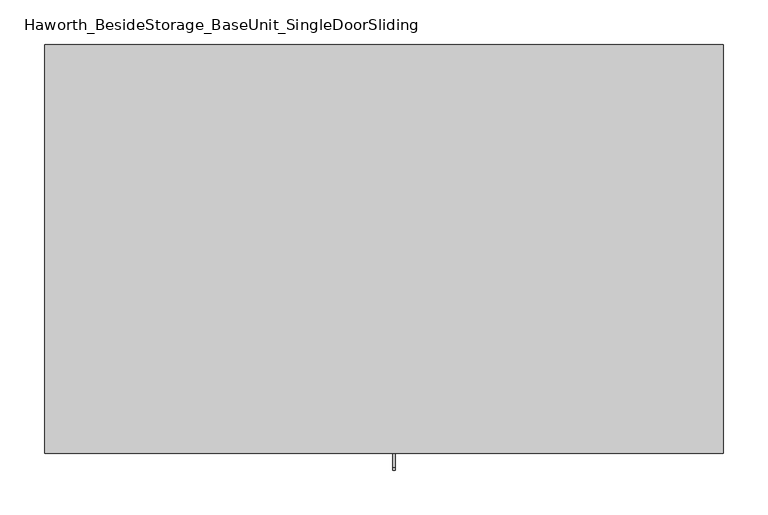
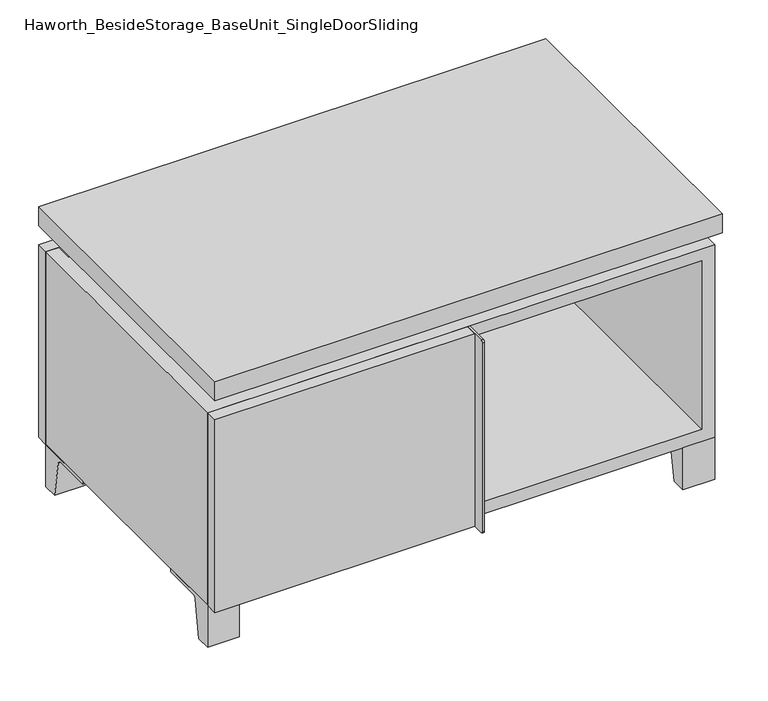
"""IFC4 building model written with IfcOpenShell, lengths in millimetres: furniture geometry, Haworth_BesideStorage_BaseUnit_SingleDoorSliding."""

from ifc_helpers import new_model, si_unit, point, frame, frame_2d, origin, place, context, project, spatial, polyline, circle_curve, trimmed, segment, composite_curve, outline, extrude, faceted_brep, source, transform, mapped, element, save


def haworth_besidestorage_baseunit_singledoorsliding_09ae7c62(model_context):
    return source(origin(), model_context, "Body", "SolidModel", [
        extrude(outline(composite_curve([segment(polyline([(-123.2958469, 0.0), (-146.05, 0.0), (-146.05, 66.675), (-50.8, 66.675), (-50.8, 61.8963321), (-107.6005345, 61.8963321)]), True, "CONTINUOUS"), segment(trimmed(circle_curve(frame_2d((-107.6005345, 55.5463321)), 6.35), [point((-107.6005345, 61.8963321))], [point((-113.8641359, 56.5902656))], True, "CARTESIAN"), True, "CONTINUOUS"), segment(polyline([(-113.8641359, 56.5902656), (-123.2958469, 0.0)]), True, "CONTINUOUS")], self_intersect=False)), frame((331.8013906, 0.0, 0.0), z_axis=(1.0, 0.0, 0.0), x_axis=(0.0, 1.0, 0.0)), (0.0, 0.0, 1.0), 47.625),
        extrude(outline(composite_curve([segment(polyline([(250.2958469, 0.0), (240.8641359, 56.5902656)]), True, "CONTINUOUS"), segment(trimmed(circle_curve(frame_2d((234.6005345, 55.5463321)), 6.35), [point((240.8641359, 56.5902656))], [point((234.6005345, 61.8963321))], True, "CARTESIAN"), True, "CONTINUOUS"), segment(polyline([(234.6005345, 61.8963321), (177.8, 61.8963321), (177.8, 66.675), (273.05, 66.675), (273.05, 0.0), (250.2958469, 0.0)]), True, "CONTINUOUS")], self_intersect=False)), frame((331.8013906, 0.0, 0.0), z_axis=(1.0, 0.0, 0.0), x_axis=(0.0, 1.0, 0.0)), (0.0, 0.0, 1.0), 47.625),
        extrude(outline(composite_curve([segment(polyline([(-123.2958469, 0.0), (-146.05, 0.0), (-146.05, 66.675), (-50.8, 66.675), (-50.8, 61.8963321), (-107.6005345, 61.8963321)]), True, "CONTINUOUS"), segment(trimmed(circle_curve(frame_2d((-107.6005345, 55.5463321)), 6.35), [point((-107.6005345, 61.8963321))], [point((-113.8641359, 56.5902656))], True, "CARTESIAN"), True, "CONTINUOUS"), segment(polyline([(-113.8641359, 56.5902656), (-123.2958469, 0.0)]), True, "CONTINUOUS")], self_intersect=False)), frame((-379.3986094, 0.0, 0.0), z_axis=(1.0, 0.0, 0.0), x_axis=(0.0, 1.0, 0.0)), (0.0, 0.0, 1.0), 47.625),
        extrude(outline(composite_curve([segment(polyline([(250.2958469, 0.0), (240.8641359, 56.5902656)]), True, "CONTINUOUS"), segment(trimmed(circle_curve(frame_2d((234.6005345, 55.5463321)), 6.35), [point((240.8641359, 56.5902656))], [point((234.6005345, 61.8963321))], True, "CARTESIAN"), True, "CONTINUOUS"), segment(polyline([(234.6005345, 61.8963321), (177.8, 61.8963321), (177.8, 66.675), (273.05, 66.675), (273.05, 0.0), (250.2958469, 0.0)]), True, "CONTINUOUS")], self_intersect=False)), frame((-379.3986094, 0.0, 0.0), z_axis=(1.0, 0.0, 0.0), x_axis=(0.0, 1.0, 0.0)), (0.0, 0.0, 1.0), 47.625),
        faceted_brep([(-379.3986094, -146.05, 66.675), (379.4125, -146.05, 66.675), (379.4125, -146.05, 371.475), (-379.3986094, -146.05, 371.475), (-360.3486094, -146.05, 85.725), (-360.3486094, -146.05, 352.425), (360.3694453, -146.05, 352.425), (360.3486094, -146.05, 85.725), (-379.3986094, 273.05, 66.675), (-379.3986094, 273.05, 371.475), (-360.3486094, 273.05, 371.475), (-360.3486094, 273.05, 85.725), (360.3486094, 273.05, 85.725), (360.3486094, 273.05, 371.475), (379.4125, 273.05, 371.475), (379.4125, 273.05, 66.675), (360.3486094, 247.65, 371.475), (-360.3416641, 247.65, 371.475), (-360.3486094, 247.65, 352.425), (360.3486094, 247.65, 352.425)], [[[0, 1, 2, 3], [4, 5, 6, 7]], [[8, 9, 10, 11, 12, 13, 14, 15]], [[1, 0, 8, 15]], [[2, 1, 15, 14]], [[3, 2, 14, 13, 16, 17, 10, 9]], [[0, 3, 9, 8]], [[11, 10, 17, 18, 5, 4]], [[13, 12, 7, 6, 19, 16]], [[4, 7, 12, 11]], [[6, 5, 18, 19]], [[17, 16, 19, 18]]]),
        extrude(outline(polyline([(379.4263906, -165.1), (-379.3986094, -165.1), (-379.3986094, 292.1), (379.4263906, 292.1), (379.4263906, -165.1)])), frame((0.0, 0.0, 401.6375), z_axis=(0.0, 0.0, 1.0), x_axis=(1.0, 0.0, 0.0)), (0.0, 0.0, 1.0), 30.1625),
        faceted_brep([(7.9513906, -69.85, 401.6375), (7.9513906, -69.85, 371.475), (7.9513906, 53.975, 371.475), (7.9513906, 53.975, 401.6375), (7.9513906, 196.85, 371.475), (7.9513906, 196.85, 401.6375), (7.9513906, 73.025, 401.6375), (7.9513906, 73.025, 371.475), (-7.9236094, 196.85, 401.6375), (-7.9236094, 196.85, 371.475), (-7.9236094, 73.025, 371.475), (-7.9236094, 73.025, 401.6375), (-7.9236094, -69.85, 371.475), (-7.9236094, -69.85, 401.6375), (-7.9236094, 53.975, 401.6375), (-7.9236094, 53.975, 371.475), (-338.0958281, 73.025, 401.6375), (-338.1166641, 247.65, 401.6375), (-353.9916641, 247.65, 401.6375), (-353.9916641, -120.65, 401.6375), (-338.1166641, -120.65, 401.6375), (-338.1166641, 53.975, 401.6375), (338.1236094, 53.975, 401.6375), (338.1236094, -120.65, 401.6375), (353.9986094, -120.65, 401.6375), (353.9986094, 247.65, 401.6375), (338.1236094, 247.65, 401.6375), (338.1236094, 73.025, 401.6375), (-338.0958281, 53.975, 371.475), (-338.1166641, -120.65, 371.475), (-353.9916641, -120.65, 371.475), (-353.9916641, 247.65, 371.475), (-338.1166641, 247.65, 371.475), (-338.1166641, 73.025, 371.475), (338.1236094, 73.025, 371.475), (338.1236094, 247.65, 371.475), (353.9986094, 247.65, 371.475), (353.9986094, -120.65, 371.475), (338.1236094, -120.65, 371.475), (338.1236094, 53.975, 371.475)], [[[0, 1, 2, 3]], [[4, 5, 6, 7]], [[8, 9, 10, 11]], [[12, 13, 14, 15]], [[5, 8, 11, 16, 17, 18, 19, 20, 21, 14, 13, 0, 3, 22, 23, 24, 25, 26, 27, 6]], [[1, 12, 15, 28, 29, 30, 31, 32, 33, 10, 9, 4, 7, 34, 35, 36, 37, 38, 39, 2]], [[5, 4, 9, 8]], [[1, 0, 13, 12]], [[6, 27, 34, 7]], [[22, 3, 2, 39]], [[20, 29, 28, 21]], [[32, 17, 16, 33]], [[18, 31, 30, 19]], [[29, 20, 19, 30]], [[17, 32, 31, 18]], [[26, 35, 34, 27]], [[38, 23, 22, 39]], [[25, 24, 37, 36]], [[23, 38, 37, 24]], [[35, 26, 25, 36]], [[16, 11, 10, 33]], [[14, 21, 28, 15]]]),
        extrude(outline(polyline([(9.5388906, 203.2), (9.5388906, -146.05), (-9.5111094, -146.05), (-9.5111094, 203.2), (9.5388906, 203.2)])), frame((0.0, 0.0, 85.725), z_axis=(0.0, 0.0, 1.0), x_axis=(1.0, 0.0, 0.0)), (0.0, 0.0, 1.0), 266.7),
        extrude(outline(polyline([(379.4263906, 273.05), (-379.3986094, 273.05), (-379.3986094, 292.1), (379.4263906, 292.1), (379.4263906, 273.05)])), frame((0.0, 0.0, 66.675), z_axis=(0.0, 0.0, 1.0), x_axis=(1.0, 0.0, 0.0)), (0.0, 0.0, 1.0), 304.8),
        extrude(outline(polyline([(-360.3416641, 203.2), (-360.3416641, 209.55), (360.3694453, 209.55), (360.3694453, 203.2), (-360.3416641, 203.2)])), frame((0.0, 0.0, 85.725), z_axis=(0.0, 0.0, 1.0), x_axis=(1.0, 0.0, 0.0)), (0.0, 0.0, 1.0), 266.7),
        extrude(outline(composite_curve([segment(polyline([(-146.05, 371.475), (-146.05, 66.675), (-180.975, 66.675)]), True, "CONTINUOUS"), segment(trimmed(circle_curve(frame_2d((-180.975, 69.85)), 3.175), [point((-180.975, 66.675))], [point((-184.15, 69.85))], False, "CARTESIAN"), True, "CONTINUOUS"), segment(polyline([(-184.15, 69.85), (-184.15, 368.3)]), True, "CONTINUOUS"), segment(trimmed(circle_curve(frame_2d((-180.975, 368.3)), 3.175), [point((-184.15, 368.3))], [point((-180.975, 371.475))], False, "CARTESIAN"), True, "CONTINUOUS"), segment(polyline([(-180.975, 371.475), (-146.05, 371.475)]), True, "CONTINUOUS")], self_intersect=False)), frame((9.5388906, 0.0, 0.0), z_axis=(1.0, 0.0, 0.0), x_axis=(0.0, 1.0, 0.0)), (0.0, 0.0, 1.0), 3.175),
        extrude(outline(polyline([(-379.3986094, -146.05), (9.5388906, -146.05), (9.5388906, -165.1), (-379.3986094, -165.1), (-379.3986094, -146.05)])), frame((0.0, 0.0, 66.675), z_axis=(0.0, 0.0, 1.0), x_axis=(1.0, 0.0, 0.0)), (0.0, 0.0, 1.0), 304.8),
    ])


if __name__ == "__main__":
    model = new_model("IFC4")
    model_context = context("Model", 3, world=origin())
    ifc_project = project(units=[si_unit("LENGTHUNIT", "METRE", prefix="MILLI")], contexts=[model_context])
    site = spatial("IfcSite", under=ifc_project)
    building = spatial("IfcBuilding", under=site)
    placement = place(None, origin())
    haworth_besidestorage_baseunit_singledoorsliding_shape = haworth_besidestorage_baseunit_singledoorsliding_09ae7c62(model_context)
    element("IfcFurniture", 1, ObjectType="Haworth_BesideStorage_BaseUnit_SingleDoorSliding", at=placement, inside=building, context=model_context, shape_type="MappedRepresentation", body=[
        mapped(haworth_besidestorage_baseunit_singledoorsliding_shape, transform((0.0, 0.0, 0.0), x_axis=(1.0, 0.0, 0.0), y_axis=(0.0, 1.0, 0.0), z_axis=(0.0, 0.0, 1.0))),
    ])
    save(model, "model.ifc")
